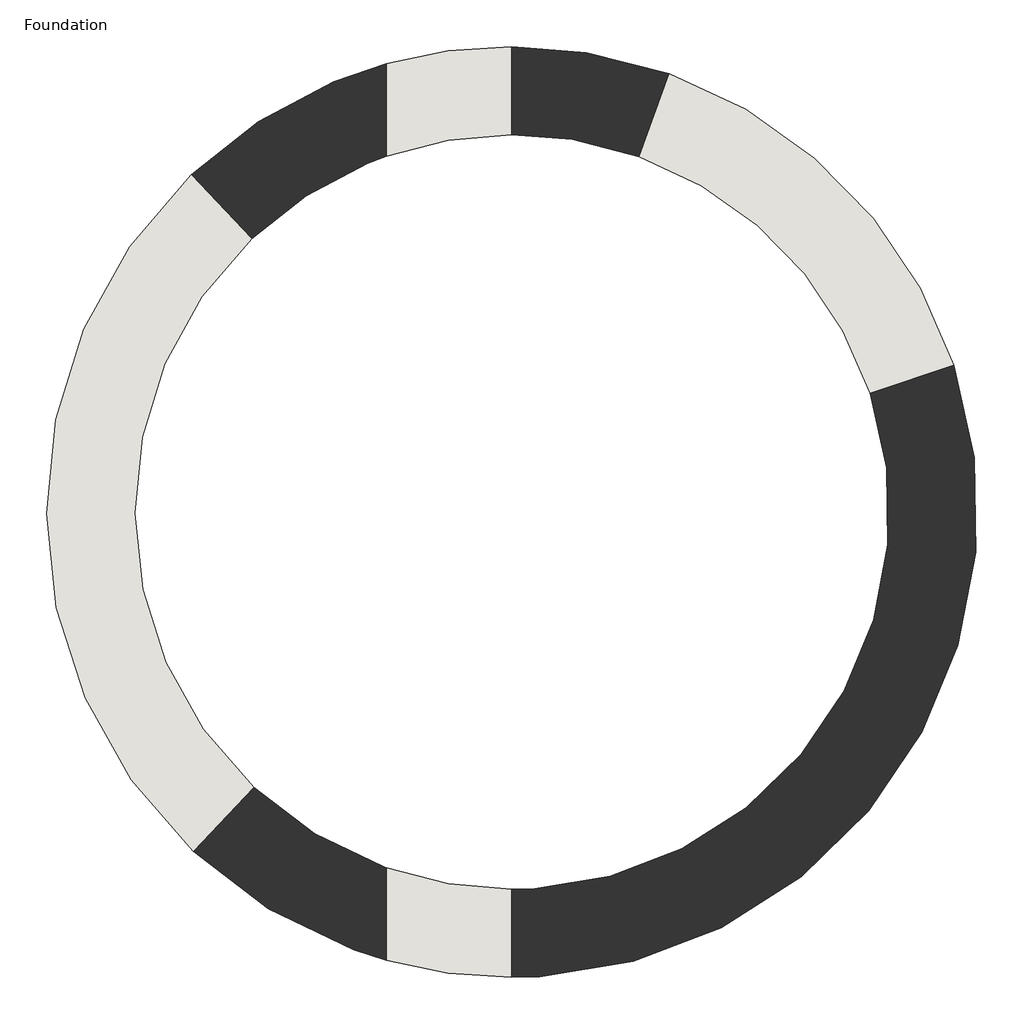
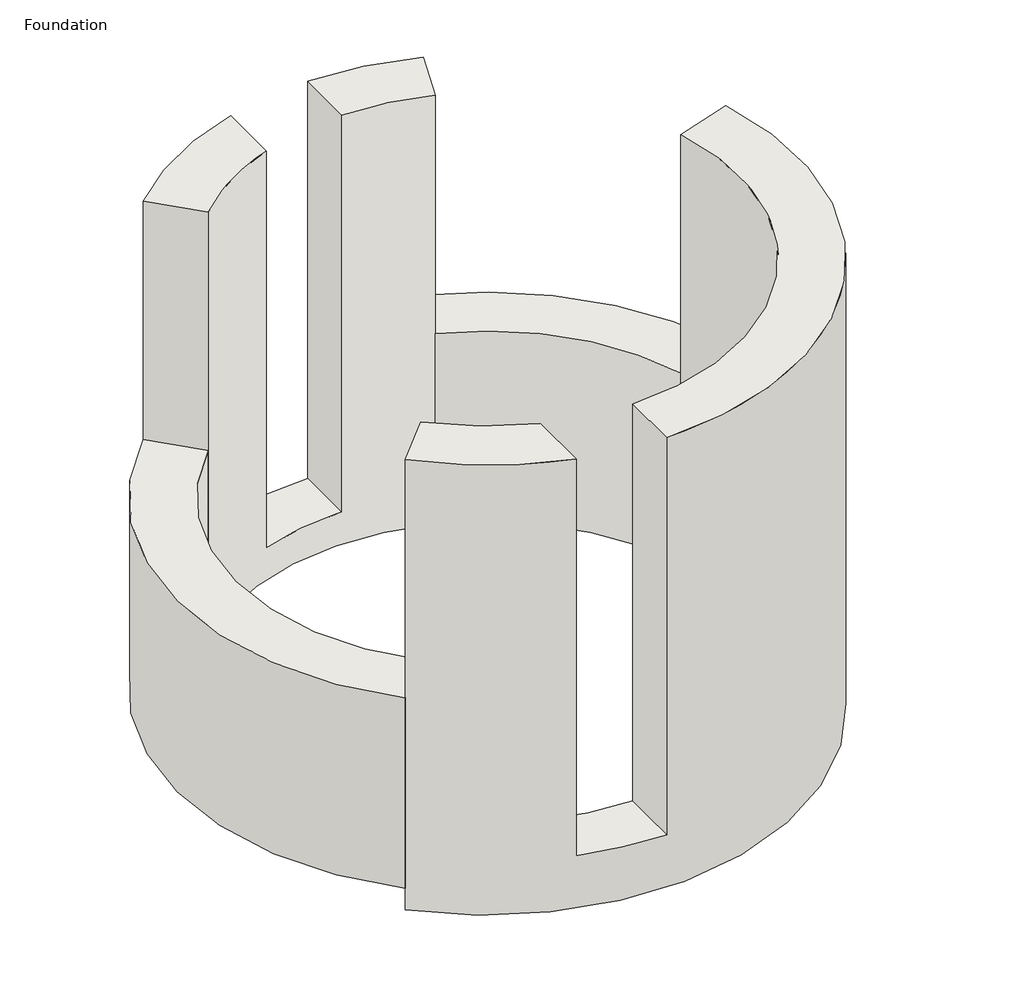
# One storey: 4 walls.
"""IFC4 building model written with IfcOpenShell, lengths in millimetres."""

import ifcopenshell
import ifcopenshell.guid

model = None  # the IFC model being written
_history = None  # IfcOwnerHistory: only IFC2X3 demands one
_inside = {}  # id of a spatial element -> (the spatial element, [elements in it])
_under = {}  # id of a project, library or spatial element -> (it, [spatial elements below it])
_declared = {}  # id of a project -> (the project, [libraries it declares])
_typed = {}  # id of a type object -> (the type object, [elements of that type])
_made_of = {}  # id of a material, layer set ... -> (it, [elements and type objects made of it])


def new_model(schema):
    """Start an empty IFC model of exactly this schema.

    Asked for "IFC4X3", IfcOpenShell would pick the latest addendum, in which some entities
    have other attributes; the version numbers below select the first issue.
    IFC2X3 requires an IfcOwnerHistory on every rooted entity: one is made here for all.
    """
    global model, _history
    if schema == "IFC4X3":
        model = ifcopenshell.file(schema_version=(4, 3, 0, 0))
    else:
        model = ifcopenshell.file(schema=schema)
    _inside.clear()
    _under.clear()
    _declared.clear()
    _typed.clear()
    _made_of.clear()
    _history = None
    if model.schema == "IFC2X3":
        org = make("IfcOrganization", Name="unknown")
        user = make(
            "IfcPersonAndOrganization",
            ThePerson=make("IfcPerson", FamilyName="unknown"),
            TheOrganization=org,
        )
        app = make(
            "IfcApplication",
            ApplicationDeveloper=org,
            Version="unknown",
            ApplicationFullName="unknown",
            ApplicationIdentifier="unknown",
        )
        _history = make(
            "IfcOwnerHistory",
            OwningUser=user,
            OwningApplication=app,
            ChangeAction="ADDED",
            CreationDate=0,
        )
    return model


def make(cls, **values):
    """One entity of the class cls with the attributes given. An attribute that is None is left unset."""
    return model.create_entity(
        cls, **{name: value for name, value in values.items() if value is not None}
    )


def rooted(cls, **values):
    """An entity with a GlobalId (a new one), such as an element, a storey or a relation."""
    return make(cls, GlobalId=ifcopenshell.guid.new(), OwnerHistory=_history, **values)


def si_unit(unit_type, name, prefix=None):
    """IfcSIUnit, for example si_unit("LENGTHUNIT", "METRE", prefix="MILLI")."""
    return make("IfcSIUnit", UnitType=unit_type, Prefix=prefix, Name=name)


def assignment(units):
    """IfcUnitAssignment: the units of a project."""
    return None if units is None else make("IfcUnitAssignment", Units=units)


def point(xyz):
    """IfcCartesianPoint."""
    return None if xyz is None else make("IfcCartesianPoint", Coordinates=xyz)


def direction(xyz):
    """IfcDirection."""
    return None if xyz is None else make("IfcDirection", DirectionRatios=xyz)


def frame(location, z_axis=None, x_axis=None):
    """IfcAxis2Placement3D, a coordinate frame: its origin and axes. An axis left out is left unset."""
    return make(
        "IfcAxis2Placement3D",
        Location=point(location),
        Axis=direction(z_axis),
        RefDirection=direction(x_axis),
    )


def frame_2d(location, x_axis=None):
    """IfcAxis2Placement2D, a coordinate frame in the plane: its origin and x axis."""
    return make(
        "IfcAxis2Placement2D", Location=point(location), RefDirection=direction(x_axis)
    )


def origin():
    """The frame at (0, 0, 0) with its axes left unset."""
    return frame((0.0, 0.0, 0.0))


def place(relative_to, where):
    """IfcLocalPlacement: puts the frame where relative to a parent placement (None: the world)."""
    return make(
        "IfcLocalPlacement", PlacementRelTo=relative_to, RelativePlacement=where
    )


def context(
    kind, dimensions, precision=None, world=None, true_north=None, identifier=None
):
    """IfcGeometricRepresentationContext, for example the 3D "Model" context."""
    return make(
        "IfcGeometricRepresentationContext",
        ContextIdentifier=identifier,
        ContextType=kind,
        CoordinateSpaceDimension=dimensions,
        Precision=precision,
        WorldCoordinateSystem=world,
        TrueNorth=true_north,
    )


def project(units=None, contexts=None):
    """IfcProject with its units and contexts."""
    return rooted(
        "IfcProject",
        Name="project",
        RepresentationContexts=contexts,
        UnitsInContext=assignment(units),
    )


def spatial(cls, under=None, at=None, **own):
    """A site, building, storey or space (cls), placed at a placement, below another one or the project."""
    s = rooted(cls, ObjectPlacement=at, **own)
    if under is not None:
        _under.setdefault(under.id(), (under, []))[1].append(s)
    return s


def polyline(points):
    """IfcPolyline through the points."""
    return make("IfcPolyline", Points=[point(p) for p in points])


def circle_curve(where, radius):
    """IfcCircle in the frame where."""
    return make("IfcCircle", Position=where, Radius=radius)


def trimmed(basis, trim1, trim2, sense, master):
    """IfcTrimmedCurve: the piece of a basis curve between two trims."""
    return make(
        "IfcTrimmedCurve",
        BasisCurve=basis,
        Trim1=trim1,
        Trim2=trim2,
        SenseAgreement=sense,
        MasterRepresentation=master,
    )


def segment(curve, same_sense, transition):
    """IfcCompositeCurveSegment."""
    return make(
        "IfcCompositeCurveSegment",
        Transition=transition,
        SameSense=same_sense,
        ParentCurve=curve,
    )


def composite_curve(segments, self_intersect=None):
    """IfcCompositeCurve: segments joined end to end."""
    return make("IfcCompositeCurve", Segments=segments, SelfIntersect=self_intersect)


def outline(outer, holes=None, kind="AREA"):
    """IfcArbitraryClosedProfileDef: a profile drawn as a closed curve; with holes, ...WithVoids."""
    if holes is None:
        return make("IfcArbitraryClosedProfileDef", ProfileType=kind, OuterCurve=outer)
    return make(
        "IfcArbitraryProfileDefWithVoids",
        ProfileType=kind,
        OuterCurve=outer,
        InnerCurves=holes,
    )


def extrude(swept, where, along, depth):
    """IfcExtrudedAreaSolid: the profile swept, set in the frame where, extruded along a direction by depth."""
    return make(
        "IfcExtrudedAreaSolid",
        SweptArea=swept,
        Position=where,
        ExtrudedDirection=direction(along),
        Depth=depth,
    )


def shape(context_of_items, identifier, shape_type, items):
    """IfcShapeRepresentation: the items that make up one representation, for example the "Body"."""
    return make(
        "IfcShapeRepresentation",
        ContextOfItems=context_of_items,
        RepresentationIdentifier=identifier,
        RepresentationType=shape_type,
        Items=items,
    )


def made_of(thing, what):
    """Note that an element or type object is made of a material, layer set ...; save() writes the relation."""
    if what is not None:
        _made_of.setdefault(what.id(), (what, []))[1].append(thing)
    return thing


def element(
    cls,
    number,
    at=None,
    inside=None,
    cuts=None,
    type_object=None,
    material=None,
    context=None,
    identifier="Body",
    shape_type=None,
    held_by="IfcProductDefinitionShape",
    body=None,
    shapes=None,
    **own,
):
    """One element of the class cls, such as IfcWall. Its Tag is "e" and its number.

    at: its placement. inside: the storey or other place that contains it. cuts: it is an
    opening in that element (IfcRelVoidsElement). A single representation is given by context,
    identifier, shape_type and body (its items); several are given by shapes. held_by: the class
    of the entity that holds the representations. save() writes the other relations.
    """
    e = rooted(cls, Tag="e%d" % number, ObjectPlacement=at, **own)
    if body is not None:
        shapes = [shape(context, identifier, shape_type, body)]
    if shapes is not None:
        e.Representation = make(held_by, Representations=shapes)
    if inside is not None:
        _inside.setdefault(inside.id(), (inside, []))[1].append(e)
    if cuts is not None:
        rooted(
            "IfcRelVoidsElement", RelatingBuildingElement=cuts, RelatedOpeningElement=e
        )
    if type_object is not None:
        _typed.setdefault(type_object.id(), (type_object, []))[1].append(e)
    return made_of(e, material)


def aggregate(whole, parts):
    """IfcRelAggregates: a whole, such as a stair, and the parts it consists of."""
    return rooted("IfcRelAggregates", RelatingObject=whole, RelatedObjects=parts)


def save(model, path):
    """Write the relations noted so far, then the file.

    IfcRelAggregates (storeys below a building ...), IfcRelContainedInSpatialStructure (elements
    in a storey), IfcRelDefinesByType, IfcRelAssociatesMaterial and IfcRelDeclares: one each for
    every whole, place, type object, material and project.
    """
    for whole, parts in _under.values():
        aggregate(whole, parts)
    for where, things in _inside.values():
        rooted(
            "IfcRelContainedInSpatialStructure",
            RelatedElements=things,
            RelatingStructure=where,
        )
    for kind, things in _typed.values():
        rooted("IfcRelDefinesByType", RelatedObjects=things, RelatingType=kind)
    for what, things in _made_of.values():
        rooted("IfcRelAssociatesMaterial", RelatedObjects=things, RelatingMaterial=what)
    for by, libraries in _declared.values():
        rooted("IfcRelDeclares", RelatingContext=by, RelatedDefinitions=libraries)
    model.write(path)


def plane_surface(at):
    """IfcPlane: the flat surface through the origin of the frame at, square to its z axis."""
    return make("IfcPlane", Position=at)


def cylinder_surface(at, radius):
    """IfcCylindricalSurface: all points at the distance radius from the z axis of the frame at."""
    return make("IfcCylindricalSurface", Position=at, Radius=radius)


def revolved_surface(curve, axis_point, axis_direction):
    """IfcSurfaceOfRevolution: the curve turned about the line through axis_point along axis_direction."""
    return make(
        "IfcSurfaceOfRevolution",
        SweptCurve=make("IfcArbitraryOpenProfileDef", ProfileType="CURVE", Curve=curve),
        AxisPosition=make("IfcAxis1Placement", Location=point(axis_point), Axis=direction(axis_direction)),
    )


def advanced_brep(points, edges, surfaces, faces):
    """IfcAdvancedBrep: a solid bounded by faces that lie on surfaces and meet in shared edges.

    An edge is (start, end): straight between two places in points (the first is 0);
    or (start, end, curve); or (start, end, curve, False) where it runs against its curve.
    A face is (place in surfaces, loops), or (place, loops, False) where it looks against
    its surface's normal. A loop lists edges by number (the first is 1), with a minus sign
    where the edge is run from its end to its start. The first loop is the outer one.
    """
    corners = [point(p) for p in points]
    vertices = [make("IfcVertexPoint", VertexGeometry=c) for c in corners]
    made = []
    for start, end, *more in edges:
        made.append(
            make(
                "IfcEdgeCurve",
                EdgeStart=vertices[start],
                EdgeEnd=vertices[end],
                EdgeGeometry=more[0] if more else make("IfcPolyline", Points=[corners[start], corners[end]]),
                SameSense=more[1] if len(more) > 1 else True,
            )
        )
    hull = []
    for where, loops, *sense in faces:
        bounds = []
        for j, loop in enumerate(loops):
            ring = [make("IfcOrientedEdge", EdgeElement=made[abs(k) - 1], Orientation=k > 0) for k in loop]
            bounds.append(
                make(
                    "IfcFaceOuterBound" if j == 0 else "IfcFaceBound",
                    Bound=make("IfcEdgeLoop", EdgeList=ring),
                    Orientation=True,
                )
            )
        hull.append(make("IfcAdvancedFace", Bounds=bounds, FaceSurface=surfaces[where], SameSense=sense[0] if sense else True))
    return make("IfcAdvancedBrep", Outer=make("IfcClosedShell", CfsFaces=hull))


model = new_model("IFC4")

# Units and contexts
model_context = context("Model", 3, world=origin())
ifc_project = project(units=[si_unit("LENGTHUNIT", "METRE", prefix="MILLI")], contexts=[model_context])

# Site, building, storey
site = spatial("IfcSite", under=ifc_project)
building = spatial("IfcBuilding", under=site)
storey = spatial("IfcBuildingStorey", under=building, Name="Foundation", Elevation=-600.0)

# Walls
placement = place(None, origin())
element("IfcWall", 1, ObjectType="Wall 200", at=placement, inside=storey, context=model_context, shape_type="AdvancedBrep", body=[
    advanced_brep(
    [(27583.9061217, 10897.6796482, 1500.0), (27440.1649102, 10744.5833905, 1500.0), (27900.0, 10485.0988056, 1500.0), (27900.0, 10705.2570781, 1500.0), (29253.4576829, 11903.3779902, 1500.0), (29054.1435049, 11837.2428372, 1500.0), (28200.0, 10653.8064689, 1500.0), (28200.0, 10443.8064685, 1500.0), (27583.9061217, 10897.6796482, -200.0), (29054.1435049, 11837.2428372, -200.0), (29253.4576829, 11903.3779902, -200.0), (27440.1649102, 10744.5833905, -200.0), (27583.9061217, 10897.6796482, -120.0), (27583.9061217, 10897.6796482, 600.0), (27900.0, 10705.2570781, 0.0), (28200.0, 10653.8064689, 0.0), (29054.1435049, 11837.2428372, 600.0), (29054.1435049, 11837.2428372, -120.0), (27440.1649102, 10744.5833905, -120.0), (27440.1649102, 10744.5833905, 600.0), (29253.4576829, 11903.3779902, -120.0), (29253.4576829, 11903.3779902, 600.0), (28200.0, 10443.8064685, 0.0), (27900.0, 10485.0988056, 0.0)],
    [
        (0, 1),
        (1, 2, circle_curve(frame((28199.9398851, 11553.8064669, 1500.0), z_axis=(0.0, 0.0, 1.0), x_axis=(1.0, 0.0, 0.0)), 1110.0)),
        (2, 3),
        (3, 0, circle_curve(frame((28199.9398851, 11553.8064669, 1500.0), z_axis=(0.0, 0.0, -1.0), x_axis=(1.0, 0.0, 0.0)), 900.0)),
        (4, 5),
        (5, 6, circle_curve(frame((28199.9398851, 11553.8064669, 1500.0), z_axis=(0.0, 0.0, -1.0), x_axis=(1.0, 0.0, 0.0)), 900.0)),
        (6, 7),
        (7, 4, circle_curve(frame((28199.9398851, 11553.8064669, 1500.0), z_axis=(0.0, 0.0, 1.0), x_axis=(1.0, 0.0, 0.0)), 1110.0)),
        (8, 9, circle_curve(frame((28199.9398851, 11553.8064669, -200.0), z_axis=(0.0, 0.0, 1.0), x_axis=(1.0, 0.0, 0.0)), 900.0)),
        (9, 10),
        (10, 11, circle_curve(frame((28199.9398851, 11553.8064669, -200.0), z_axis=(0.0, 0.0, -1.0), x_axis=(1.0, 0.0, 0.0)), 1110.0)),
        (11, 8),
        (8, 12),
        (12, 13),
        (13, 0),
        (3, 14),
        (14, 15, circle_curve(frame((28199.9398851, 11553.8064669, 0.0), z_axis=(0.0, 0.0, 1.0), x_axis=(1.0, 0.0, 0.0)), 900.0)),
        (15, 6),
        (5, 16),
        (16, 17),
        (17, 9),
        (11, 18),
        (18, 19),
        (19, 1),
        (10, 20),
        (20, 21),
        (21, 4),
        (7, 22),
        (22, 23, circle_curve(frame((28199.9398851, 11553.8064669, 0.0), z_axis=(0.0, 0.0, -1.0), x_axis=(1.0, 0.0, 0.0)), 1110.0)),
        (23, 2),
        (23, 14),
        (15, 22),
    ],
    [
        plane_surface(frame((29099.9398851, 11553.8064669, 1500.0), z_axis=(0.0, 0.0, 1.0), x_axis=(0.0, -1.0, 0.0))),
        plane_surface(frame((29099.9398851, 11553.8064669, -200.0), z_axis=(0.0, 0.0, -1.0), x_axis=(0.0, 1.0, 0.0))),
        revolved_surface(polyline([(29099.9398851, 11553.8064669, -200.0), (29099.9398851, 11553.8064669, 1500.0)]), (28199.9398851, 11553.8064669, -200.0), (0.0, 0.0, -1.0)),
        plane_surface(frame((27583.9061217, 10897.6796482, 1500.0), z_axis=(-0.7290297985734765, 0.6844819594349556, 0.0), x_axis=(0.0, 0.0, -1.0))),
        cylinder_surface(frame((28199.9398851, 11553.8064669, -200.0), z_axis=(0.0, 0.0, 1.0), x_axis=(1.0, 0.0, 0.0)), 1110.0),
        plane_surface(frame((29253.4576829, 11903.3779902, 1500.0), z_axis=(-0.31492930029176736, 0.9491151330674998, 0.0), x_axis=(0.0, 0.0, -1.0))),
        plane_surface(frame((27900.0, 13200.0, 0.0), z_axis=(1.0, 0.0, 0.0), x_axis=(0.0, -1.0, 0.0))),
        plane_surface(frame((28200.0, 13200.0, 0.0), z_axis=(-1.0, 0.0, 0.0), x_axis=(0.0, 1.0, 0.0))),
        plane_surface(frame((27900.0, 13500.0, 0.0), z_axis=(0.0, 0.0, 1.0), x_axis=(1.0, 0.0, 0.0))),
    ],
    [
        (0, [[1, 2, 3, 4]]),
        (0, [[5, 6, 7, 8]]),
        (1, [[9, 10, 11, 12]]),
        (2, [[-9, 13, 14, 15, -4, 16, 17, 18, -6, 19, 20, 21]]),
        (3, [[-1, -15, -14, -13, -12, 22, 23, 24]]),
        (4, [[-11, 25, 26, 27, -8, 28, 29, 30, -2, -24, -23, -22]]),
        (5, [[-5, -27, -26, -25, -10, -21, -20, -19]]),
        (6, [[31, -16, -3, -30]]),
        (7, [[32, -28, -7, -18]]),
        (8, [[-31, -29, -32, -17]]),
    ],
),
])
element("IfcWall", 2, ObjectType="Wall 200", at=placement, inside=storey, context=model_context, shape_type="SweptSolid", body=[
    extrude(outline(composite_curve([segment(polyline([(28504.0435347, 12400.8725625), (28575.0010529, 12598.5213182)]), True, "CONTINUOUS"), segment(trimmed(circle_curve(frame_2d((28199.9398851, 11553.8064669)), 1110.0), [point((28575.0010529, 12598.5213182))], [point((29253.4576829, 11903.3779902))], False, "CARTESIAN"), True, "CONTINUOUS"), segment(polyline([(29253.4576829, 11903.3779902), (29054.1435049, 11837.2428372)]), True, "CONTINUOUS"), segment(trimmed(circle_curve(frame_2d((28199.9398851, 11553.8064669)), 900.0), [point((29054.1435049, 11837.2428372))], [point((28504.0435347, 12400.8725625))], True, "CARTESIAN"), True, "CONTINUOUS")], self_intersect=False)), frame((0.0, 0.0, -120.0), z_axis=(0.0, 0.0, 1.0), x_axis=(1.0, 0.0, 0.0)), (0.0, 0.0, 1.0), 720.0),
])
element("IfcWall", 3, ObjectType="Wall 200", at=placement, inside=storey, context=model_context, shape_type="SweptSolid", body=[
    extrude(outline(composite_curve([segment(polyline([(27583.9061217, 10897.6796482), (27440.1649102, 10744.5833905)]), True, "CONTINUOUS"), segment(trimmed(circle_curve(frame_2d((28199.9398851, 11553.8064669)), 1110.0), [point((27440.1649102, 10744.5833905))], [point((27434.6239009, 12357.7911958))], False, "CARTESIAN"), True, "CONTINUOUS"), segment(polyline([(27434.6239009, 12357.7911958), (27579.4134114, 12205.6859768)]), True, "CONTINUOUS"), segment(trimmed(circle_curve(frame_2d((28199.9398851, 11553.8064669)), 900.0), [point((27579.4134114, 12205.6859768))], [point((27583.9061217, 10897.6796482))], True, "CARTESIAN"), True, "CONTINUOUS")], self_intersect=False)), frame((0.0, 0.0, -120.0), z_axis=(0.0, 0.0, 1.0), x_axis=(1.0, 0.0, 0.0)), (0.0, 0.0, 1.0), 720.0),
])
element("IfcWall", 4, ObjectType="Wall 200", at=placement, inside=storey, context=model_context, shape_type="AdvancedBrep", body=[
    advanced_brep(
    [(28504.0435347, 12400.8725625, 1500.0), (28575.0010529, 12598.5213182, 1500.0), (28200.0, 12663.8064653, 1500.0), (28200.0, 12453.8064649, 1500.0), (27434.6239009, 12357.7911958, 1500.0), (27579.4134114, 12205.6859768, 1500.0), (27900.0, 12402.3558557, 1500.0), (27900.0, 12622.5141282, 1500.0), (28504.0435347, 12400.8725625, -120.0), (27579.4134114, 12205.6859768, -120.0), (27434.6239009, 12357.7911958, -120.0), (28575.0010529, 12598.5213182, -120.0), (28504.0435347, 12400.8725625, 600.0), (28200.0, 12453.8064649, 0.0), (27900.0, 12402.3558557, 0.0), (27579.4134114, 12205.6859768, 600.0), (28575.0010529, 12598.5213182, 600.0), (27434.6239009, 12357.7911958, 600.0), (27900.0, 12622.5141282, 0.0), (28200.0, 12663.8064653, 0.0)],
    [
        (0, 1),
        (1, 2, circle_curve(frame((28199.9398851, 11553.8064669, 1500.0), z_axis=(0.0, 0.0, 1.0), x_axis=(1.0, 0.0, 0.0)), 1110.0)),
        (2, 3),
        (3, 0, circle_curve(frame((28199.9398851, 11553.8064669, 1500.0), z_axis=(0.0, 0.0, -1.0), x_axis=(1.0, 0.0, 0.0)), 900.0)),
        (4, 5),
        (5, 6, circle_curve(frame((28199.9398851, 11553.8064669, 1500.0), z_axis=(0.0, 0.0, -1.0), x_axis=(1.0, 0.0, 0.0)), 900.0)),
        (6, 7),
        (7, 4, circle_curve(frame((28199.9398851, 11553.8064669, 1500.0), z_axis=(0.0, 0.0, 1.0), x_axis=(1.0, 0.0, 0.0)), 1110.0)),
        (8, 9, circle_curve(frame((28199.9398851, 11553.8064669, -120.0), z_axis=(0.0, 0.0, 1.0), x_axis=(1.0, 0.0, 0.0)), 900.0)),
        (9, 10),
        (10, 11, circle_curve(frame((28199.9398851, 11553.8064669, -120.0), z_axis=(0.0, 0.0, -1.0), x_axis=(1.0, 0.0, 0.0)), 1110.0)),
        (11, 8),
        (8, 12),
        (12, 0),
        (3, 13),
        (13, 14, circle_curve(frame((28199.9398851, 11553.8064669, 0.0), z_axis=(0.0, 0.0, 1.0), x_axis=(1.0, 0.0, 0.0)), 900.0)),
        (14, 6),
        (5, 15),
        (15, 9),
        (11, 16),
        (16, 1),
        (10, 17),
        (17, 4),
        (7, 18),
        (18, 19, circle_curve(frame((28199.9398851, 11553.8064669, 0.0), z_axis=(0.0, 0.0, -1.0), x_axis=(1.0, 0.0, 0.0)), 1110.0)),
        (19, 2),
        (14, 18),
        (19, 13),
    ],
    [
        plane_surface(frame((29099.9398851, 11553.8064669, 1500.0), z_axis=(0.0, 0.0, 1.0), x_axis=(0.0, -1.0, 0.0))),
        plane_surface(frame((29099.9398851, 11553.8064669, -120.0), z_axis=(0.0, 0.0, -1.0), x_axis=(0.0, 1.0, 0.0))),
        revolved_surface(polyline([(29099.9398851, 11553.8064669, -120.0), (29099.9398851, 11553.8064669, 1500.0)]), (28199.9398851, 11553.8064669, -120.0), (0.0, 0.0, -1.0)),
        plane_surface(frame((28504.0435347, 12400.8725625, 1500.0), z_axis=(0.9411845506840504, -0.3378929439240515, 0.0), x_axis=(0.0, 0.0, -1.0))),
        cylinder_surface(frame((28199.9398851, 11553.8064669, -120.0), z_axis=(0.0, 0.0, 1.0), x_axis=(1.0, 0.0, 0.0)), 1110.0),
        plane_surface(frame((27434.6239009, 12357.7911958, 1500.0), z_axis=(-0.7243105665687037, -0.6894738596617883, 0.0), x_axis=(0.0, 0.0, -1.0))),
        plane_surface(frame((27900.0, 13200.0, 0.0), z_axis=(1.0, 0.0, 0.0), x_axis=(0.0, -1.0, 0.0))),
        plane_surface(frame((28200.0, 13200.0, 0.0), z_axis=(-1.0, 0.0, 0.0), x_axis=(0.0, 1.0, 0.0))),
        plane_surface(frame((27900.0, 13500.0, 0.0), z_axis=(0.0, 0.0, 1.0), x_axis=(1.0, 0.0, 0.0))),
    ],
    [
        (0, [[1, 2, 3, 4]]),
        (0, [[5, 6, 7, 8]]),
        (1, [[9, 10, 11, 12]]),
        (2, [[-9, 13, 14, -4, 15, 16, 17, -6, 18, 19]]),
        (3, [[-1, -14, -13, -12, 20, 21]]),
        (4, [[-11, 22, 23, -8, 24, 25, 26, -2, -21, -20]]),
        (5, [[-5, -23, -22, -10, -19, -18]]),
        (6, [[27, -24, -7, -17]]),
        (7, [[28, -15, -3, -26]]),
        (8, [[-27, -16, -28, -25]]),
    ],
),
])

save(model, "model.ifc")
